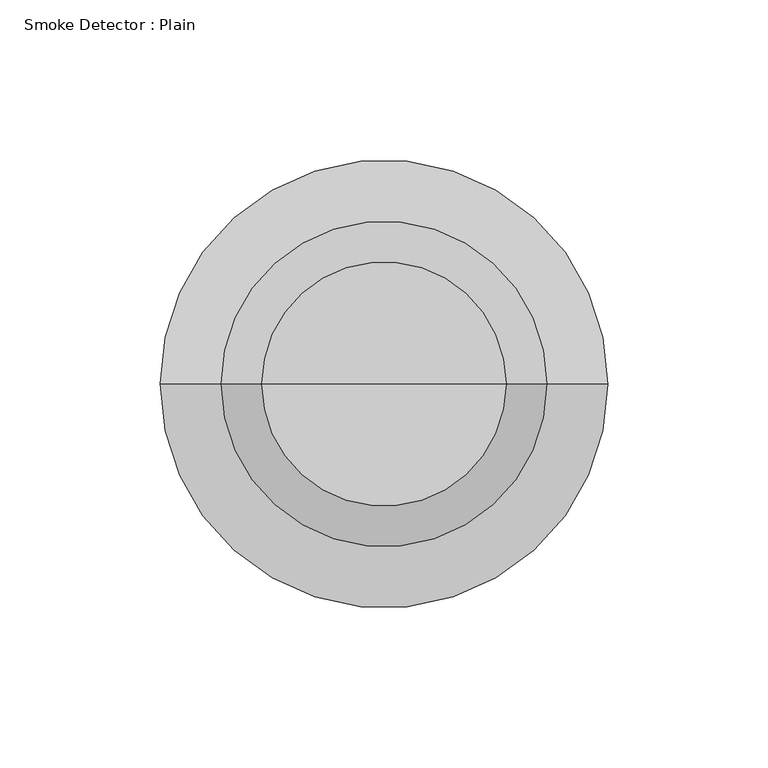
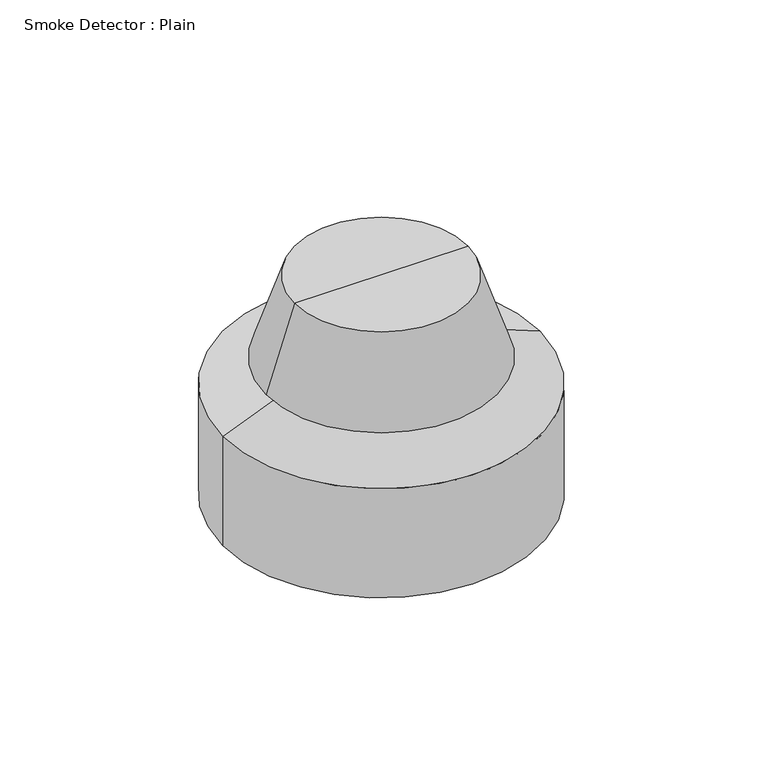
"""IFC4 building model written with IfcOpenShell, lengths in millimetres: alarm geometry, Smoke Detector : Plain."""

from ifc_helpers import new_model, si_unit, frame, origin, place, context, project, spatial, polyline, circle_curve, source, transform, mapped, element, save
from ifc_brep_helpers import plane_surface, cylinder_surface, revolved_surface, advanced_brep


def smoke_detector_plain_6db7d990(model_context):
    return source(origin(), model_context, "Body", "AdvancedBrep", [
        advanced_brep(
        [(0.0, 0.0, 101.6), (38.1, 0.0, 101.6), (-38.1, 0.0, 101.6), (-69.85, 0.0, 0.0), (69.85, 0.0, 0.0), (0.0, 0.0, 0.0), (-69.85, 0.0, 50.8), (69.85, 0.0, 50.8), (-38.1, 0.0, 63.5), (38.1, 0.0, 63.5), (-50.8, 0.0, 63.5), (50.8, 0.0, 63.5)],
        [
            (0, 1),
            (1, 2, circle_curve(frame((0.0, 0.0, 101.6), z_axis=(0.0, 0.0, 1.0), x_axis=(1.0, 0.0, 0.0)), 38.1)),
            (2, 0),
            (2, 1, circle_curve(frame((0.0, 0.0, 101.6), z_axis=(0.0, 0.0, 1.0), x_axis=(1.0, 0.0, 0.0)), 38.1)),
            (3, 4, circle_curve(frame((0.0, 0.0, 0.0), z_axis=(0.0, 0.0, -1.0), x_axis=(1.0, 0.0, 0.0)), 69.85)),
            (4, 5),
            (5, 3),
            (4, 3, circle_curve(frame((0.0, 0.0, 0.0), z_axis=(0.0, 0.0, -1.0), x_axis=(1.0, 0.0, 0.0)), 69.85)),
            (6, 7, circle_curve(frame((0.0, 0.0, 50.8), z_axis=(0.0, 0.0, -1.0), x_axis=(1.0, 0.0, 0.0)), 69.85)),
            (7, 4),
            (3, 6),
            (7, 6, circle_curve(frame((0.0, 0.0, 50.8), z_axis=(0.0, 0.0, -1.0), x_axis=(1.0, 0.0, 0.0)), 69.85)),
            (8, 9, circle_curve(frame((0.0, 0.0, 63.5), z_axis=(0.0, 0.0, -1.0), x_axis=(1.0, 0.0, 0.0)), 38.1)),
            (9, 7),
            (6, 8),
            (9, 8, circle_curve(frame((0.0, 0.0, 63.5), z_axis=(0.0, 0.0, -1.0), x_axis=(1.0, 0.0, 0.0)), 38.1)),
            (10, 11, circle_curve(frame((0.0, 0.0, 63.5), z_axis=(0.0, 0.0, -1.0), x_axis=(1.0, 0.0, 0.0)), 50.8)),
            (11, 9),
            (8, 10),
            (11, 10, circle_curve(frame((0.0, 0.0, 63.5), z_axis=(0.0, 0.0, -1.0), x_axis=(1.0, 0.0, 0.0)), 50.8)),
            (1, 11),
            (10, 2),
        ],
        [
            plane_surface(frame((0.0, 0.0, 101.6), z_axis=(0.0, 0.0, 1.0), x_axis=(1.0, 0.0, 0.0))),
            plane_surface(frame((0.0, 0.0, 0.0), z_axis=(0.0, 0.0, -1.0), x_axis=(1.0, 0.0, 0.0))),
            cylinder_surface(frame((0.0, 0.0, 31.75), z_axis=(0.0, 0.0, 1.0), x_axis=(1.0, 0.0, 0.0)), 69.85),
            revolved_surface(polyline([(69.85, 0.0, 50.8), (38.1, 0.0, 63.5)]), (0.0, 0.0, 31.75), (0.0, 0.0, 1.0)),
            plane_surface(frame((0.0, 0.0, 63.5), z_axis=(0.0, 0.0, -1.0), x_axis=(1.0, 0.0, 0.0))),
            revolved_surface(polyline([(50.8, 0.0, 63.5), (38.1, 0.0, 101.6)]), (0.0, 0.0, 31.75), (0.0, 0.0, 1.0)),
        ],
        [
            (0, [[1, 2, 3]]),
            (0, [[-3, 4, -1]]),
            (1, [[5, 6, 7]]),
            (1, [[8, -7, -6]]),
            (2, [[9, 10, -5, 11]]),
            (2, [[12, -11, -8, -10]]),
            (3, [[13, 14, -9, 15]]),
            (3, [[16, -15, -12, -14]]),
            (4, [[17, 18, -13, 19]]),
            (4, [[20, -19, -16, -18]]),
            (5, [[-2, 21, -17, 22]]),
            (5, [[-4, -22, -20, -21]]),
        ],
    ),
    ])


if __name__ == "__main__":
    model = new_model("IFC4")
    model_context = context("Model", 3, world=origin())
    ifc_project = project(units=[si_unit("LENGTHUNIT", "METRE", prefix="MILLI")], contexts=[model_context])
    site = spatial("IfcSite", under=ifc_project)
    building = spatial("IfcBuilding", under=site)
    placement = place(None, origin())
    smoke_detector_plain_shape = smoke_detector_plain_6db7d990(model_context)
    element("IfcAlarm", 1, ObjectType="Smoke Detector : Plain", at=placement, inside=building, context=model_context, shape_type="MappedRepresentation", body=[
        mapped(smoke_detector_plain_shape, transform((0.0, 0.0, 0.0), x_axis=(1.0, 0.0, 0.0), y_axis=(0.0, 1.0, 0.0), z_axis=(0.0, 0.0, 1.0))),
    ])
    save(model, "model.ifc")
